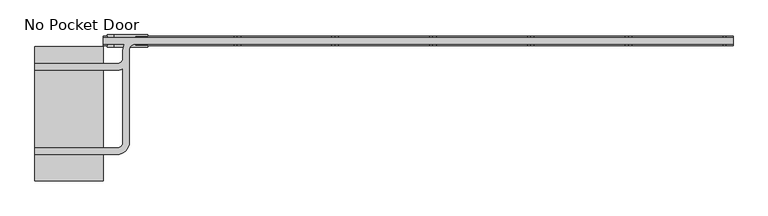
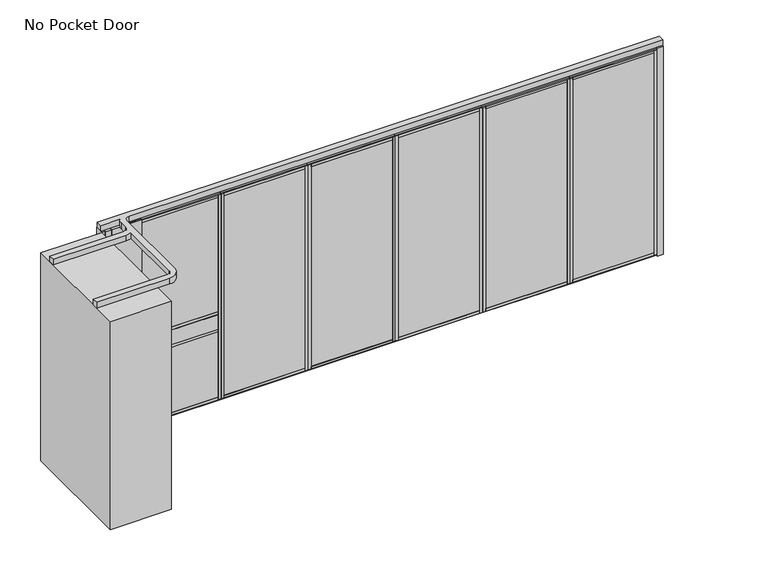
"""IFC4 building model written with IfcOpenShell, lengths in millimetres: proxy geometry, No Pocket Door."""

from ifc_helpers import new_model, si_unit, point, frame, frame_2d, origin, origin_with_axes, place, context, project, spatial, polyline, circle_curve, trimmed, segment, composite_curve, outline, extrude, source, transform, mapped, element, save


def no_pocket_door_f116bb9e(model_context):
    return source(origin(), model_context, "Body", "SweptSolid", [
        extrude(outline(polyline([(3307.761883, 34.13125), (4396.2577164, 34.13125), (4396.2577164, -34.13125), (3307.761883, -34.13125), (3307.761883, 34.13125)])), origin_with_axes(), (0.0, 0.0, 1.0), 22.225),
        extrude(outline(polyline([(3307.761883, 34.13125), (4396.2577164, 34.13125), (4396.2577164, -34.13125), (3307.761883, -34.13125), (3307.761883, 34.13125)])), frame((0.0, 0.0, 2720.975), z_axis=(0.0, 0.0, 1.0), x_axis=(1.0, 0.0, 0.0)), (0.0, 0.0, 1.0), 22.225),
        extrude(outline(polyline([(3342.940883, -50.8), (3308.015883, -50.8), (3308.015883, 50.8), (3342.940883, 50.8), (3342.940883, -50.8)])), frame((0.0, 0.0, 22.225), z_axis=(0.0, 0.0, 1.0), x_axis=(1.0, 0.0, 0.0)), (0.0, 0.0, 1.0), 2698.75),
        extrude(outline(polyline([(4361.0787164, -50.8), (4361.0787164, 50.8), (4396.0037164, 50.8), (4396.0037164, -50.8), (4361.0787164, -50.8)])), frame((0.0, 0.0, 22.225), z_axis=(0.0, 0.0, 1.0), x_axis=(1.0, 0.0, 0.0)), (0.0, 0.0, 1.0), 2698.75),
        extrude(outline(polyline([(0.0, 9.525), (1063.0958334, 9.525), (1063.0958334, 0.0), (0.0, 0.0), (0.0, 9.525)])), frame((4383.5577164, -36.5125, 52.3875), z_axis=(0.0, 1.4530598946293796e-12, 1.0), x_axis=(-1.0, 0.0, 0.0)), (0.0, 0.0, 1.0), 2638.425),
        extrude(outline(polyline([(0.0, 7.9375), (1063.0958334, 7.9375), (1063.0958334, 0.0), (0.0, 0.0), (0.0, 7.9375)])), frame((4383.5577164, 44.45, 52.3875), z_axis=(0.0, -1.775646296664526e-12, 1.0), x_axis=(-1.0, 0.0, 0.0)), (0.0, 0.0, 1.0), 2638.425),
        extrude(outline(polyline([(36.5125, 2605.0875), (-36.5125, 2605.0875), (-36.5125, 2690.8125), (-50.8, 2690.8125), (-50.8, 2720.975), (50.8, 2720.975), (50.8, 2690.8125), (36.5125, 2690.8125), (36.5125, 2605.0875)])), frame((3342.940883, 0.0, 0.0), z_axis=(1.0, 0.0, 0.0), x_axis=(0.0, 1.0, 0.0)), (0.0, 0.0, 1.0), 1018.1378333),
        extrude(outline(polyline([(50.8, 22.225), (-50.8, 22.225), (-50.8, 52.3875), (-36.5125, 52.3875), (-36.5125, 138.1125), (36.5125, 138.1125), (36.5125, 52.3875), (50.8, 52.3875), (50.8, 22.225)])), frame((3342.940883, 0.0, 0.0), z_axis=(1.0, 0.0, 0.0), x_axis=(0.0, 1.0, 0.0)), (0.0, 0.0, 1.0), 1018.1378333),
        extrude(outline(polyline([(2219.2660497, 34.13125), (3307.761883, 34.13125), (3307.761883, -34.13125), (2219.2660497, -34.13125), (2219.2660497, 34.13125)])), origin_with_axes(), (0.0, 0.0, 1.0), 22.225),
        extrude(outline(polyline([(2219.2660497, 34.13125), (3307.761883, 34.13125), (3307.761883, -34.13125), (2219.2660497, -34.13125), (2219.2660497, 34.13125)])), frame((0.0, 0.0, 2720.975), z_axis=(0.0, 0.0, 1.0), x_axis=(1.0, 0.0, 0.0)), (0.0, 0.0, 1.0), 22.225),
        extrude(outline(polyline([(2254.4450497, -50.8), (2219.5200497, -50.8), (2219.5200497, 50.8), (2254.4450497, 50.8), (2254.4450497, -50.8)])), frame((0.0, 0.0, 22.225), z_axis=(0.0, 0.0, 1.0), x_axis=(1.0, 0.0, 0.0)), (0.0, 0.0, 1.0), 2698.75),
        extrude(outline(polyline([(3272.582883, -50.8), (3272.582883, 50.8), (3307.507883, 50.8), (3307.507883, -50.8), (3272.582883, -50.8)])), frame((0.0, 0.0, 22.225), z_axis=(0.0, 0.0, 1.0), x_axis=(1.0, 0.0, 0.0)), (0.0, 0.0, 1.0), 2698.75),
        extrude(outline(polyline([(0.0, 9.525), (1063.0958333, 9.525), (1063.0958333, 0.0), (0.0, 0.0), (0.0, 9.525)])), frame((3295.061883, -36.5125, 52.3875), z_axis=(0.0, 1.4530598946293796e-12, 1.0), x_axis=(-1.0, 0.0, 0.0)), (0.0, 0.0, 1.0), 2638.425),
        extrude(outline(polyline([(0.0, 7.9375), (1063.0958333, 7.9375), (1063.0958333, 0.0), (0.0, 0.0), (0.0, 7.9375)])), frame((3295.061883, 44.45, 52.3875), z_axis=(0.0, -1.775646296664526e-12, 1.0), x_axis=(-1.0, 0.0, 0.0)), (0.0, 0.0, 1.0), 2638.425),
        extrude(outline(polyline([(36.5125, 2605.0875), (-36.5125, 2605.0875), (-36.5125, 2690.8125), (-50.8, 2690.8125), (-50.8, 2720.975), (50.8, 2720.975), (50.8, 2690.8125), (36.5125, 2690.8125), (36.5125, 2605.0875)])), frame((2254.4450497, 0.0, 0.0), z_axis=(1.0, 0.0, 0.0), x_axis=(0.0, 1.0, 0.0)), (0.0, 0.0, 1.0), 1018.1378333),
        extrude(outline(polyline([(50.8, 22.225), (-50.8, 22.225), (-50.8, 52.3875), (-36.5125, 52.3875), (-36.5125, 138.1125), (36.5125, 138.1125), (36.5125, 52.3875), (50.8, 52.3875), (50.8, 22.225)])), frame((2254.4450497, 0.0, 0.0), z_axis=(1.0, 0.0, 0.0), x_axis=(0.0, 1.0, 0.0)), (0.0, 0.0, 1.0), 1018.1378333),
        extrude(outline(polyline([(1130.7702164, 34.13125), (2219.2660497, 34.13125), (2219.2660497, -34.13125), (1130.7702164, -34.13125), (1130.7702164, 34.13125)])), origin_with_axes(), (0.0, 0.0, 1.0), 22.225),
        extrude(outline(polyline([(1130.7702164, 34.13125), (2219.2660497, 34.13125), (2219.2660497, -34.13125), (1130.7702164, -34.13125), (1130.7702164, 34.13125)])), frame((0.0, 0.0, 2720.975), z_axis=(0.0, 0.0, 1.0), x_axis=(1.0, 0.0, 0.0)), (0.0, 0.0, 1.0), 22.225),
        extrude(outline(polyline([(1165.9492164, -50.8), (1131.0242164, -50.8), (1131.0242164, 50.8), (1165.9492164, 50.8), (1165.9492164, -50.8)])), frame((0.0, 0.0, 22.225), z_axis=(0.0, 0.0, 1.0), x_axis=(1.0, 0.0, 0.0)), (0.0, 0.0, 1.0), 2698.75),
        extrude(outline(polyline([(2184.0870497, -50.8), (2184.0870497, 50.8), (2219.0120497, 50.8), (2219.0120497, -50.8), (2184.0870497, -50.8)])), frame((0.0, 0.0, 22.225), z_axis=(0.0, 0.0, 1.0), x_axis=(1.0, 0.0, 0.0)), (0.0, 0.0, 1.0), 2698.75),
        extrude(outline(polyline([(0.0, 9.525), (1063.0958333, 9.525), (1063.0958333, 0.0), (0.0, 0.0), (0.0, 9.525)])), frame((2206.5660497, -36.5125, 52.3875), z_axis=(0.0, 1.4530598946293796e-12, 1.0), x_axis=(-1.0, 0.0, 0.0)), (0.0, 0.0, 1.0), 2638.425),
        extrude(outline(polyline([(0.0, 7.9375), (1063.0958333, 7.9375), (1063.0958333, 0.0), (0.0, 0.0), (0.0, 7.9375)])), frame((2206.5660497, 44.45, 52.3875), z_axis=(0.0, -1.775646296664526e-12, 1.0), x_axis=(-1.0, 0.0, 0.0)), (0.0, 0.0, 1.0), 2638.425),
        extrude(outline(polyline([(36.5125, 2605.0875), (-36.5125, 2605.0875), (-36.5125, 2690.8125), (-50.8, 2690.8125), (-50.8, 2720.975), (50.8, 2720.975), (50.8, 2690.8125), (36.5125, 2690.8125), (36.5125, 2605.0875)])), frame((1165.9492164, 0.0, 0.0), z_axis=(1.0, 0.0, 0.0), x_axis=(0.0, 1.0, 0.0)), (0.0, 0.0, 1.0), 1018.1378333),
        extrude(outline(polyline([(50.8, 22.225), (-50.8, 22.225), (-50.8, 52.3875), (-36.5125, 52.3875), (-36.5125, 138.1125), (36.5125, 138.1125), (36.5125, 52.3875), (50.8, 52.3875), (50.8, 22.225)])), frame((1165.9492164, 0.0, 0.0), z_axis=(1.0, 0.0, 0.0), x_axis=(0.0, 1.0, 0.0)), (0.0, 0.0, 1.0), 1018.1378333),
        extrude(outline(polyline([(4396.2577164, 34.13125), (5484.7535497, 34.13125), (5484.7535497, -34.13125), (4396.2577164, -34.13125), (4396.2577164, 34.13125)])), origin_with_axes(), (0.0, 0.0, 1.0), 22.225),
        extrude(outline(polyline([(4396.2577164, 34.13125), (5484.7535497, 34.13125), (5484.7535497, -34.13125), (4396.2577164, -34.13125), (4396.2577164, 34.13125)])), frame((0.0, 0.0, 2720.975), z_axis=(0.0, 0.0, 1.0), x_axis=(1.0, 0.0, 0.0)), (0.0, 0.0, 1.0), 22.225),
        extrude(outline(polyline([(4431.4367164, -50.8), (4396.5117164, -50.8), (4396.5117164, 50.8), (4431.4367164, 50.8), (4431.4367164, -50.8)])), frame((0.0, 0.0, 22.225), z_axis=(0.0, 0.0, 1.0), x_axis=(1.0, 0.0, 0.0)), (0.0, 0.0, 1.0), 2698.75),
        extrude(outline(polyline([(5449.5745497, -50.8), (5449.5745497, 50.8), (5484.4995497, 50.8), (5484.4995497, -50.8), (5449.5745497, -50.8)])), frame((0.0, 0.0, 22.225), z_axis=(0.0, 0.0, 1.0), x_axis=(1.0, 0.0, 0.0)), (0.0, 0.0, 1.0), 2698.75),
        extrude(outline(polyline([(0.0, 9.525), (1063.0958333, 9.525), (1063.0958333, 0.0), (0.0, 0.0), (0.0, 9.525)])), frame((5472.0535497, -36.5125, 52.3875), z_axis=(0.0, 1.4530598946293796e-12, 1.0), x_axis=(-1.0, 0.0, 0.0)), (0.0, 0.0, 1.0), 2638.425),
        extrude(outline(polyline([(0.0, 7.9375), (1063.0958333, 7.9375), (1063.0958333, 0.0), (0.0, 0.0), (0.0, 7.9375)])), frame((5472.0535497, 44.45, 52.3875), z_axis=(0.0, -1.775646296664526e-12, 1.0), x_axis=(-1.0, 0.0, 0.0)), (0.0, 0.0, 1.0), 2638.425),
        extrude(outline(polyline([(36.5125, 2605.0875), (-36.5125, 2605.0875), (-36.5125, 2690.8125), (-50.8, 2690.8125), (-50.8, 2720.975), (50.8, 2720.975), (50.8, 2690.8125), (36.5125, 2690.8125), (36.5125, 2605.0875)])), frame((4431.4367164, 0.0, 0.0), z_axis=(1.0, 0.0, 0.0), x_axis=(0.0, 1.0, 0.0)), (0.0, 0.0, 1.0), 1018.1378333),
        extrude(outline(polyline([(50.8, 22.225), (-50.8, 22.225), (-50.8, 52.3875), (-36.5125, 52.3875), (-36.5125, 138.1125), (36.5125, 138.1125), (36.5125, 52.3875), (50.8, 52.3875), (50.8, 22.225)])), frame((4431.4367164, 0.0, 0.0), z_axis=(1.0, 0.0, 0.0), x_axis=(0.0, 1.0, 0.0)), (0.0, 0.0, 1.0), 1018.1378333),
        extrude(outline(polyline([(-1404.9964503, -53.975), (-1449.4464503, -53.975), (-1449.4464503, 53.975), (-1404.9964503, 53.975), (-1404.9964503, -53.975)])), origin_with_axes(), (0.0, 0.0, 1.0), 2743.2),
        extrude(outline(polyline([(42.274383, 34.13125), (1130.7702164, 34.13125), (1130.7702164, -34.13125), (42.274383, -34.13125), (42.274383, 34.13125)])), origin_with_axes(), (0.0, 0.0, 1.0), 22.225),
        extrude(outline(polyline([(42.274383, 34.13125), (1130.7702164, 34.13125), (1130.7702164, -34.13125), (42.274383, -34.13125), (42.274383, 34.13125)])), frame((0.0, 0.0, 2720.975), z_axis=(0.0, 0.0, 1.0), x_axis=(1.0, 0.0, 0.0)), (0.0, 0.0, 1.0), 22.225),
        extrude(outline(polyline([(77.453383, -50.8), (42.528383, -50.8), (42.528383, 50.8), (77.453383, 50.8), (77.453383, -50.8)])), frame((0.0, 0.0, 22.225), z_axis=(0.0, 0.0, 1.0), x_axis=(1.0, 0.0, 0.0)), (0.0, 0.0, 1.0), 2698.75),
        extrude(outline(polyline([(1095.5912164, -50.8), (1095.5912164, 50.8), (1130.5162164, 50.8), (1130.5162164, -50.8), (1095.5912164, -50.8)])), frame((0.0, 0.0, 22.225), z_axis=(0.0, 0.0, 1.0), x_axis=(1.0, 0.0, 0.0)), (0.0, 0.0, 1.0), 2698.75),
        extrude(outline(polyline([(0.0, 9.525), (1063.0958334, 9.525), (1063.0958334, 0.0), (0.0, 0.0), (0.0, 9.525)])), frame((1118.0702164, -36.5125, 52.3875), z_axis=(0.0, 1.4530598946293796e-12, 1.0), x_axis=(-1.0, 0.0, 0.0)), (0.0, 0.0, 1.0), 2638.425),
        extrude(outline(polyline([(0.0, 7.9375), (1063.0958334, 7.9375), (1063.0958334, 0.0), (0.0, 0.0), (0.0, 7.9375)])), frame((1118.0702164, 44.45, 52.3875), z_axis=(0.0, -1.775646296664526e-12, 1.0), x_axis=(-1.0, 0.0, 0.0)), (0.0, 0.0, 1.0), 2638.425),
        extrude(outline(polyline([(36.5125, 2605.0875), (-36.5125, 2605.0875), (-36.5125, 2690.8125), (-50.8, 2690.8125), (-50.8, 2720.975), (50.8, 2720.975), (50.8, 2690.8125), (36.5125, 2690.8125), (36.5125, 2605.0875)])), frame((77.453383, 0.0, 0.0), z_axis=(1.0, 0.0, 0.0), x_axis=(0.0, 1.0, 0.0)), (0.0, 0.0, 1.0), 1018.1378333),
        extrude(outline(polyline([(50.8, 22.225), (-50.8, 22.225), (-50.8, 52.3875), (-36.5125, 52.3875), (-36.5125, 138.1125), (36.5125, 138.1125), (36.5125, 52.3875), (50.8, 52.3875), (50.8, 22.225)])), frame((77.453383, 0.0, 0.0), z_axis=(1.0, 0.0, 0.0), x_axis=(0.0, 1.0, 0.0)), (0.0, 0.0, 1.0), 1018.1378333),
        extrude(outline(polyline([(-1331.9714503, -68.2625), (-1404.9964503, -68.2625), (-1404.9964503, 68.2625), (-1331.9714503, 68.2625), (-1331.9714503, -68.2625)])), origin_with_axes(), (0.0, 0.0, 1.0), 2743.2),
        extrude(outline(polyline([(-954.1464503, -68.2625), (-1331.9714503, -68.2625), (-1331.9714503, 68.2625), (-954.1464503, 68.2625), (-954.1464503, 50.8), (-1093.8464503, 50.8), (-1093.8464503, -50.8), (-954.1464503, -50.8), (-954.1464503, -68.2625)])), origin_with_axes(), (0.0, 0.0, 1.0), 2743.2),
        extrude(outline(polyline([(5560.9535497, -53.975), (5484.7535497, -53.975), (5484.7535497, 53.975), (5560.9535497, 53.975), (5560.9535497, -53.975)])), origin_with_axes(), (0.0, 0.0, 1.0), 2743.2),
        extrude(outline(polyline([(44.846875, 914.4), (0.0, 914.4), (-46.2359375, 914.4), (-46.2359375, 952.5), (-50.8, 952.5), (-50.8, 1143.0), (-46.2359375, 1143.0), (-46.2359375, 1181.1), (0.0, 1181.1), (44.846875, 1181.1), (44.846875, 1143.0), (50.8, 1143.0), (50.8, 952.5), (44.846875, 952.5), (44.846875, 914.4)])), frame((-1058.6674503, 0.0, 0.0), z_axis=(1.0, 0.0, 0.0), x_axis=(0.0, 1.0, 0.0)), (0.0, 0.0, 1.0), 1065.7628333),
        extrude(outline(polyline([(-1093.8464503, 34.13125), (42.274383, 34.13125), (42.274383, -34.13125), (-1093.8464503, -34.13125), (-1093.8464503, 34.13125)])), origin_with_axes(), (0.0, 0.0, 1.0), 22.225),
        extrude(outline(polyline([(-1093.8464503, 34.13125), (42.274383, 34.13125), (42.274383, -34.13125), (-1093.8464503, -34.13125), (-1093.8464503, 34.13125)])), frame((0.0, 0.0, 2720.975), z_axis=(0.0, 0.0, 1.0), x_axis=(1.0, 0.0, 0.0)), (0.0, 0.0, 1.0), 22.225),
        extrude(outline(polyline([(-1058.6674503, -50.8), (-1093.5924503, -50.8), (-1093.5924503, 50.8), (-1058.6674503, 50.8), (-1058.6674503, -50.8)])), frame((0.0, 0.0, 22.225), z_axis=(0.0, 0.0, 1.0), x_axis=(1.0, 0.0, 0.0)), (0.0, 0.0, 1.0), 2698.75),
        extrude(outline(polyline([(7.095383, -50.8), (7.095383, 50.8), (42.020383, 50.8), (42.020383, -50.8), (7.095383, -50.8)])), frame((0.0, 0.0, 22.225), z_axis=(0.0, 0.0, 1.0), x_axis=(1.0, 0.0, 0.0)), (0.0, 0.0, 1.0), 2698.75),
        extrude(outline(polyline([(0.0, 9.525), (1110.7208333, 9.525), (1110.7208333, 0.0), (0.0, 0.0), (0.0, 9.525)])), frame((29.574383, -36.5125, 52.3875), z_axis=(0.0, 1.4530598946293796e-12, 1.0), x_axis=(-1.0, 0.0, 0.0)), (0.0, 0.0, 1.0), 2638.425),
        extrude(outline(polyline([(0.0, 7.9375), (1110.7208333, 7.9375), (1110.7208333, 0.0), (0.0, 0.0), (0.0, 7.9375)])), frame((29.574383, 44.45, 52.3875), z_axis=(0.0, -1.775646296664526e-12, 1.0), x_axis=(-1.0, 0.0, 0.0)), (0.0, 0.0, 1.0), 2638.425),
        extrude(outline(polyline([(36.5125, 2605.0875), (-36.5125, 2605.0875), (-36.5125, 2690.8125), (-50.8, 2690.8125), (-50.8, 2720.975), (50.8, 2720.975), (50.8, 2690.8125), (36.5125, 2690.8125), (36.5125, 2605.0875)])), frame((-1058.6674503, 0.0, 0.0), z_axis=(1.0, 0.0, 0.0), x_axis=(0.0, 1.0, 0.0)), (0.0, 0.0, 1.0), 1065.7628333),
        extrude(outline(polyline([(50.8, 22.225), (-50.8, 22.225), (-50.8, 52.3875), (-36.5125, 52.3875), (-36.5125, 138.1125), (36.5125, 138.1125), (36.5125, 52.3875), (50.8, 52.3875), (50.8, 22.225)])), frame((-1058.6674503, 0.0, 0.0), z_axis=(1.0, 0.0, 0.0), x_axis=(0.0, 1.0, 0.0)), (0.0, 0.0, 1.0), 1065.7628333),
        extrude(outline(composite_curve([segment(polyline([(-1449.4464503, 35.71875), (5560.9535497, 35.71875), (5560.9535497, -35.71875), (-1093.8464503, -35.71875)]), True, "CONTINUOUS"), segment(trimmed(circle_curve(frame_2d((-1093.8464503, -101.6)), 65.88125), [point((-1093.8464503, -35.71875))], [point((-1159.7277003, -101.6))], True, "CARTESIAN"), True, "CONTINUOUS"), segment(polyline([(-1159.7277003, -101.6), (-1159.7277003, -1128.7125)]), True, "CONTINUOUS"), segment(trimmed(circle_curve(frame_2d((-1297.0464503, -1128.7125)), 137.31875), [point((-1159.7277003, -1128.7125))], [point((-1297.0464503, -1266.03125))], False, "CARTESIAN"), True, "CONTINUOUS"), segment(polyline([(-1297.0464503, -1266.03125), (-2211.4464503, -1266.03125), (-2211.4464503, -1194.59375), (-1297.0464503, -1194.59375)]), True, "CONTINUOUS"), segment(trimmed(circle_curve(frame_2d((-1297.0464503, -1128.7125)), 65.88125), [point((-1297.0464503, -1194.59375))], [point((-1231.1652003, -1128.7125))], True, "CARTESIAN"), True, "CONTINUOUS"), segment(polyline([(-1231.1652003, -1128.7125), (-1231.1652003, -309.3952789)]), True, "CONTINUOUS"), segment(trimmed(circle_curve(frame_2d((-1297.0464503, -188.9125)), 137.31875), [point((-1231.1652003, -309.3952789))], [point((-1297.0464503, -326.23125))], False, "CARTESIAN"), True, "CONTINUOUS"), segment(polyline([(-1297.0464503, -326.23125), (-2211.4464503, -326.23125), (-2211.4464503, -254.79375), (-1297.0464503, -254.79375)]), True, "CONTINUOUS"), segment(trimmed(circle_curve(frame_2d((-1297.0464503, -188.9125)), 65.88125), [point((-1297.0464503, -254.79375))], [point((-1231.1652003, -188.9125))], True, "CARTESIAN"), True, "CONTINUOUS"), segment(polyline([(-1231.1652003, -188.9125), (-1231.1652003, -101.6)]), True, "CONTINUOUS"), segment(trimmed(circle_curve(frame_2d((-1093.8464503, -101.6)), 137.31875), [point((-1231.1652003, -101.6))], [point((-1214.3292291, -35.71875))], False, "CARTESIAN"), True, "CONTINUOUS"), segment(polyline([(-1214.3292291, -35.71875), (-1449.4464503, -35.71875), (-1449.4464503, 35.71875)]), True, "CONTINUOUS")], self_intersect=False)), frame((0.0, 0.0, 2743.2), z_axis=(0.0, 0.0, 1.0), x_axis=(1.0, 0.0, 0.0)), (0.0, 0.0, 1.0), 74.6125),
        extrude(outline(polyline([(-1449.4464503, -61.9125), (-1449.4464503, -1560.5125), (-2211.4464503, -1560.5125), (-2211.4464503, -61.9125), (-1449.4464503, -61.9125)])), origin_with_axes(), (0.0, 0.0, 1.0), 2743.2),
    ])


if __name__ == "__main__":
    model = new_model("IFC4")
    model_context = context("Model", 3, world=origin())
    ifc_project = project(units=[si_unit("LENGTHUNIT", "METRE", prefix="MILLI")], contexts=[model_context])
    site = spatial("IfcSite", under=ifc_project)
    building = spatial("IfcBuilding", under=site)
    placement = place(None, origin())
    no_pocket_door_shape = no_pocket_door_f116bb9e(model_context)
    element("IfcBuildingElementProxy", 1, Name="No Pocket Door", ObjectType="No Pocket Door", at=placement, inside=building, context=model_context, shape_type="MappedRepresentation", body=[
        mapped(no_pocket_door_shape, transform((0.0, 0.0, 0.0), x_axis=(1.0, 0.0, 0.0), y_axis=(0.0, 1.0, 0.0), z_axis=(0.0, 0.0, 1.0))),
    ])
    save(model, "model.ifc")
